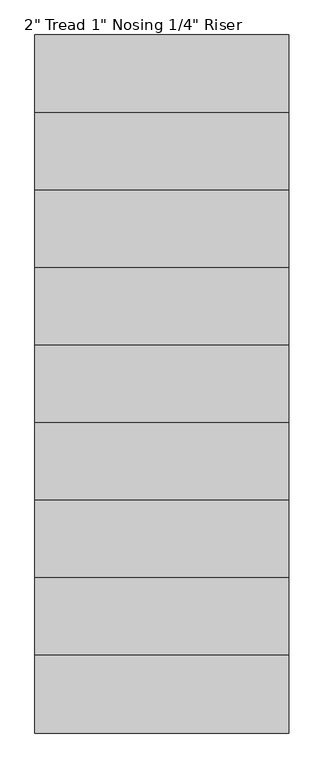
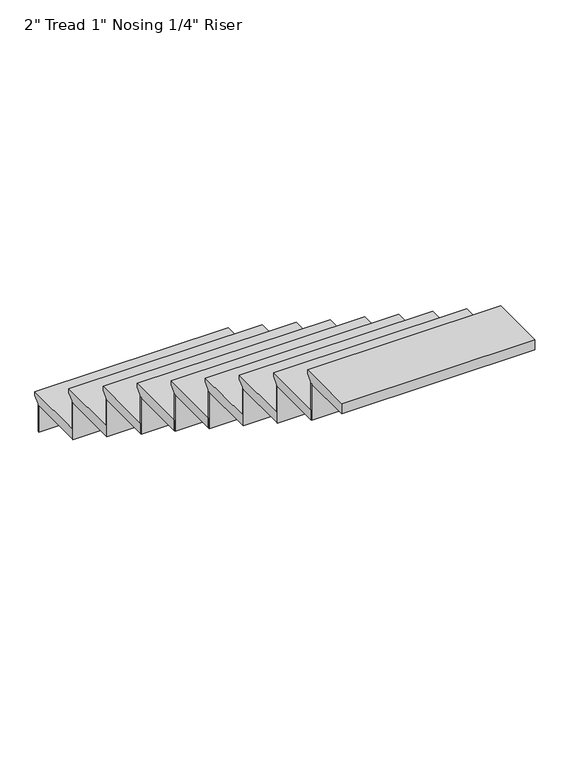
"""IFC4 building model written with IfcOpenShell, lengths in millimetres: stair flight geometry."""

from ifc_helpers import new_model, si_unit, frame, origin, origin_with_axes, place, context, project, spatial, polyline, outline, extrude, source, transform, mapped, element, save


def stair_flight_97b76b26(model_context):
    return source(origin(), model_context, "Body", "SweptSolid", [
        extrude(outline(polyline([(13489.7019376, 183.0916667), (13794.5019376, 183.0916667), (13794.5019376, 164.0416667), (13769.1019376, 138.6416667), (13769.1019376, 132.2916667), (13489.7019376, 132.2916667), (13489.7019376, 183.0916667)])), frame((7658.087827, 0.0, 0.0), z_axis=(1.0, 0.0, 0.0), x_axis=(0.0, 1.0, 0.0)), (0.0, 0.0, 1.0), 914.4),
        extrude(outline(polyline([(7658.087827, 13762.7519376), (7658.087827, 13769.1019376), (8572.487827, 13769.1019376), (8572.487827, 13762.7519376), (7658.087827, 13762.7519376)])), origin_with_axes(), (0.0, 0.0, 1.0), 132.2916667),
        extrude(outline(polyline([(7658.087827, 13483.3519376), (7658.087827, 13489.7019376), (8572.487827, 13489.7019376), (8572.487827, 13483.3519376), (7658.087827, 13483.3519376)])), frame((0.0, 0.0, 132.2916667), z_axis=(0.0, 0.0, 1.0), x_axis=(1.0, 0.0, 0.0)), (0.0, 0.0, 1.0), 183.0916667),
        extrude(outline(polyline([(13210.3019376, 366.1833333), (13515.1019376, 366.1833333), (13515.1019376, 347.1333333), (13489.7019376, 321.7333333), (13489.7019376, 315.3833333), (13210.3019376, 315.3833333), (13210.3019376, 366.1833333)])), frame((7658.087827, 0.0, 0.0), z_axis=(1.0, 0.0, 0.0), x_axis=(0.0, 1.0, 0.0)), (0.0, 0.0, 1.0), 914.4),
        extrude(outline(polyline([(7658.087827, 13203.9519376), (7658.087827, 13210.3019376), (8572.487827, 13210.3019376), (8572.487827, 13203.9519376), (7658.087827, 13203.9519376)])), frame((0.0, 0.0, 315.3833333), z_axis=(0.0, 0.0, 1.0), x_axis=(1.0, 0.0, 0.0)), (0.0, 0.0, 1.0), 183.0916667),
        extrude(outline(polyline([(12930.9019376, 549.275), (13235.7019376, 549.275), (13235.7019376, 530.225), (13210.3019376, 504.825), (13210.3019376, 498.475), (12930.9019376, 498.475), (12930.9019376, 549.275)])), frame((7658.087827, 0.0, 0.0), z_axis=(1.0, 0.0, 0.0), x_axis=(0.0, 1.0, 0.0)), (0.0, 0.0, 1.0), 914.4),
        extrude(outline(polyline([(7658.087827, 12924.5519376), (7658.087827, 12930.9019376), (8572.487827, 12930.9019376), (8572.487827, 12924.5519376), (7658.087827, 12924.5519376)])), frame((0.0, 0.0, 498.475), z_axis=(0.0, 0.0, 1.0), x_axis=(1.0, 0.0, 0.0)), (0.0, 0.0, 1.0), 183.0916667),
        extrude(outline(polyline([(12651.5019376, 732.3666667), (12956.3019376, 732.3666667), (12956.3019376, 713.3166667), (12930.9019376, 687.9166667), (12930.9019376, 681.5666667), (12651.5019376, 681.5666667), (12651.5019376, 732.3666667)])), frame((7658.087827, 0.0, 0.0), z_axis=(1.0, 0.0, 0.0), x_axis=(0.0, 1.0, 0.0)), (0.0, 0.0, 1.0), 914.4),
        extrude(outline(polyline([(7658.087827, 12645.1519376), (7658.087827, 12651.5019376), (8572.487827, 12651.5019376), (8572.487827, 12645.1519376), (7658.087827, 12645.1519376)])), frame((0.0, 0.0, 681.5666667), z_axis=(0.0, 0.0, 1.0), x_axis=(1.0, 0.0, 0.0)), (0.0, 0.0, 1.0), 183.0916667),
        extrude(outline(polyline([(12372.1019376, 915.4583333), (12676.9019376, 915.4583333), (12676.9019376, 896.4083333), (12651.5019376, 871.0083333), (12651.5019376, 864.6583333), (12372.1019376, 864.6583333), (12372.1019376, 915.4583333)])), frame((7658.087827, 0.0, 0.0), z_axis=(1.0, 0.0, 0.0), x_axis=(0.0, 1.0, 0.0)), (0.0, 0.0, 1.0), 914.4),
        extrude(outline(polyline([(7658.087827, 12365.7519376), (7658.087827, 12372.1019376), (8572.487827, 12372.1019376), (8572.487827, 12365.7519376), (7658.087827, 12365.7519376)])), frame((0.0, 0.0, 864.6583333), z_axis=(0.0, 0.0, 1.0), x_axis=(1.0, 0.0, 0.0)), (0.0, 0.0, 1.0), 183.0916667),
        extrude(outline(polyline([(12092.7019376, 1098.55), (12397.5019376, 1098.55), (12397.5019376, 1079.5), (12372.1019376, 1054.1), (12372.1019376, 1047.75), (12092.7019376, 1047.75), (12092.7019376, 1098.55)])), frame((7658.087827, 0.0, 0.0), z_axis=(1.0, 0.0, 0.0), x_axis=(0.0, 1.0, 0.0)), (0.0, 0.0, 1.0), 914.4),
        extrude(outline(polyline([(7658.087827, 12086.3519376), (7658.087827, 12092.7019376), (8572.487827, 12092.7019376), (8572.487827, 12086.3519376), (7658.087827, 12086.3519376)])), frame((0.0, 0.0, 1047.75), z_axis=(0.0, 0.0, 1.0), x_axis=(1.0, 0.0, 0.0)), (0.0, 0.0, 1.0), 183.0916667),
        extrude(outline(polyline([(11813.3019376, 1281.6416667), (12118.1019376, 1281.6416667), (12118.1019376, 1262.5916667), (12092.7019376, 1237.1916667), (12092.7019376, 1230.8416667), (11813.3019376, 1230.8416667), (11813.3019376, 1281.6416667)])), frame((7658.087827, 0.0, 0.0), z_axis=(1.0, 0.0, 0.0), x_axis=(0.0, 1.0, 0.0)), (0.0, 0.0, 1.0), 914.4),
        extrude(outline(polyline([(7658.087827, 11806.9519376), (7658.087827, 11813.3019376), (8572.487827, 11813.3019376), (8572.487827, 11806.9519376), (7658.087827, 11806.9519376)])), frame((0.0, 0.0, 1230.8416667), z_axis=(0.0, 0.0, 1.0), x_axis=(1.0, 0.0, 0.0)), (0.0, 0.0, 1.0), 183.0916667),
        extrude(outline(polyline([(11533.9019376, 1464.7333333), (11838.7019376, 1464.7333333), (11838.7019376, 1445.6833333), (11813.3019376, 1420.2833333), (11813.3019376, 1413.9333333), (11533.9019376, 1413.9333333), (11533.9019376, 1464.7333333)])), frame((7658.087827, 0.0, 0.0), z_axis=(1.0, 0.0, 0.0), x_axis=(0.0, 1.0, 0.0)), (0.0, 0.0, 1.0), 914.4),
        extrude(outline(polyline([(7658.087827, 11527.5519376), (7658.087827, 11533.9019376), (8572.487827, 11533.9019376), (8572.487827, 11527.5519376), (7658.087827, 11527.5519376)])), frame((0.0, 0.0, 1413.9333333), z_axis=(0.0, 0.0, 1.0), x_axis=(1.0, 0.0, 0.0)), (0.0, 0.0, 1.0), 183.0916667),
        extrude(outline(polyline([(11279.9019376, 1647.825), (11559.3019376, 1647.825), (11559.3019376, 1628.775), (11533.9019376, 1603.375), (11533.9019376, 1597.025), (11279.9019376, 1597.025), (11279.9019376, 1647.825)])), frame((7658.087827, 0.0, 0.0), z_axis=(1.0, 0.0, 0.0), x_axis=(0.0, 1.0, 0.0)), (0.0, 0.0, 1.0), 914.4),
    ])


if __name__ == "__main__":
    model = new_model("IFC4")
    model_context = context("Model", 3, world=origin())
    ifc_project = project(units=[si_unit("LENGTHUNIT", "METRE", prefix="MILLI")], contexts=[model_context])
    site = spatial("IfcSite", under=ifc_project)
    building = spatial("IfcBuilding", under=site)
    placement = place(None, origin())
    stair_flight_shape = stair_flight_97b76b26(model_context)
    element("IfcStairFlight", 1, ObjectType="2\" Tread 1\" Nosing 1/4\" Riser", at=placement, inside=building, context=model_context, shape_type="MappedRepresentation", body=[
        mapped(stair_flight_shape, transform((0.0, 0.0, 0.0), x_axis=(1.0, 0.0, 0.0), y_axis=(0.0, 1.0, 0.0), z_axis=(0.0, 0.0, 1.0))),
    ])
    save(model, "model.ifc")
